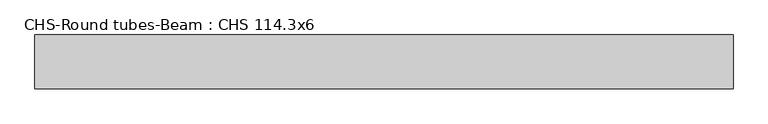
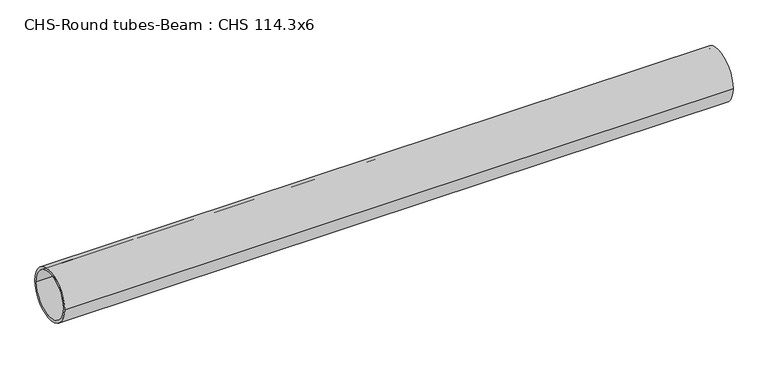
"""IFC4 building model written with IfcOpenShell, lengths in millimetres: beam geometry, CHS-Round tubes-Beam : CHS 114.3x6."""

from ifc_helpers import new_model, si_unit, point, frame, origin, origin_2d, place, context, project, spatial, circle_curve, trimmed, segment, composite_curve, outline, extrude, source, transform, mapped, element, save


def chs_round_tubes_beam_chs_114_3x6_fe764edc(model_context):
    return source(origin(), model_context, "Body", "SweptSolid", [
        extrude(outline(composite_curve([segment(trimmed(circle_curve(origin_2d(), 57.15), [point((57.15, 0.0))], [point((-57.15, 0.0))], False, "CARTESIAN"), True, "CONTINUOUS"), segment(trimmed(circle_curve(origin_2d(), 57.15), [point((-57.15, 0.0))], [point((57.15, 0.0))], False, "CARTESIAN"), True, "CONTINUOUS")], self_intersect=False), holes=[composite_curve([segment(trimmed(circle_curve(origin_2d(), 51.15), [point((51.15, 0.0))], [point((-51.15, 0.0))], True, "CARTESIAN"), True, "CONTINUOUS"), segment(trimmed(circle_curve(origin_2d(), 51.15), [point((-51.15, 0.0))], [point((51.15, 0.0))], True, "CARTESIAN"), True, "CONTINUOUS")], self_intersect=False)]), frame((-756.4158777, 0.0, 0.0), z_axis=(1.0, 0.0, 0.0), x_axis=(0.0, 1.0, 0.0)), (0.0, 0.0, 1.0), 1485.7034563),
    ])


if __name__ == "__main__":
    model = new_model("IFC4")
    model_context = context("Model", 3, world=origin())
    ifc_project = project(units=[si_unit("LENGTHUNIT", "METRE", prefix="MILLI")], contexts=[model_context])
    site = spatial("IfcSite", under=ifc_project)
    building = spatial("IfcBuilding", under=site)
    placement = place(None, origin())
    chs_round_tubes_beam_chs_114_3x6_shape = chs_round_tubes_beam_chs_114_3x6_fe764edc(model_context)
    element("IfcBeam", 1, ObjectType="CHS-Round tubes-Beam : CHS 114.3x6", at=placement, inside=building, context=model_context, shape_type="MappedRepresentation", body=[
        mapped(chs_round_tubes_beam_chs_114_3x6_shape, transform((0.0, 0.0, 0.0), x_axis=(1.0, 0.0, 0.0), y_axis=(0.0, 1.0, 0.0), z_axis=(0.0, 0.0, 1.0))),
    ])
    save(model, "model.ifc")
